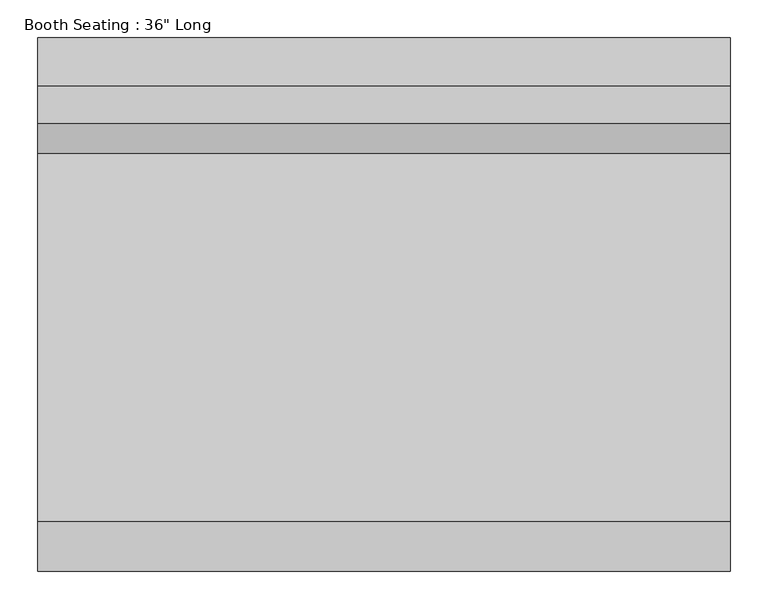
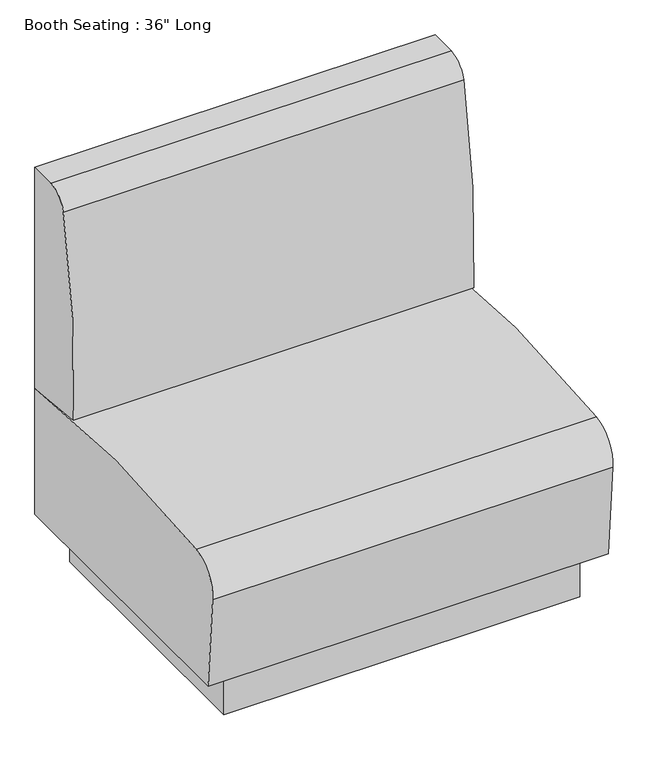
"""IFC4 building model written with IfcOpenShell, lengths in millimetres: furniture geometry."""

from ifc_helpers import new_model, si_unit, point, frame, frame_2d, origin, origin_with_axes, place, context, project, spatial, polyline, circle_curve, trimmed, segment, composite_curve, outline, extrude, source, transform, mapped, element, save


def furniture_3e36cbe3(model_context):
    return source(origin(), model_context, "Body", "SweptSolid", [
        extrude(outline(composite_curve([segment(polyline([(355.6, 939.8), (355.6, 406.4), (203.2, 420.809063)]), True, "CONTINUOUS"), segment(trimmed(circle_curve(frame_2d((1896.6191414, 522.5154157)), 1696.4706218), [point((203.2, 420.809063))], [point((242.7504703, 900.3129667))], False, "CARTESIAN"), True, "CONTINUOUS"), segment(trimmed(circle_curve(frame_2d((292.2747753, 889.0)), 50.8), [point((242.7504703, 900.3129667))], [point((292.2747753, 939.8))], False, "CARTESIAN"), True, "CONTINUOUS"), segment(polyline([(292.2747753, 939.8), (355.6, 939.8)]), True, "CONTINUOUS")], self_intersect=False)), frame((-457.2, 0.0, 0.0), z_axis=(1.0, 0.0, 0.0), x_axis=(0.0, 1.0, 0.0)), (0.0, 0.0, 1.0), 914.4),
        extrude(outline(composite_curve([segment(trimmed(circle_curve(frame_2d((-272.6641824, 328.7396957)), 76.2), [point((-348.6009692, 322.4116302))], [point((-282.6626275, 404.2808838))], False, "CARTESIAN"), True, "CONTINUOUS"), segment(trimmed(circle_curve(frame_2d((44.6835428, -2068.9155338)), 2494.7657275), [point((-282.6626275, 404.2808838))], [point((355.6, 406.4))], False, "CARTESIAN"), True, "CONTINUOUS"), segment(polyline([(355.6, 406.4), (355.6, 101.6), (-330.2, 101.6), (-348.6009692, 322.4116302)]), True, "CONTINUOUS")], self_intersect=False)), frame((-457.2, 0.0, 0.0), z_axis=(1.0, 0.0, 0.0), x_axis=(0.0, 1.0, 0.0)), (0.0, 0.0, 1.0), 914.4),
        extrude(outline(polyline([(406.4, 304.8), (406.4, -304.8), (-406.4, -304.8), (-406.4, 304.8), (406.4, 304.8)])), origin_with_axes(), (0.0, 0.0, 1.0), 101.6),
    ])


if __name__ == "__main__":
    model = new_model("IFC4")
    model_context = context("Model", 3, world=origin())
    ifc_project = project(units=[si_unit("LENGTHUNIT", "METRE", prefix="MILLI")], contexts=[model_context])
    site = spatial("IfcSite", under=ifc_project)
    building = spatial("IfcBuilding", under=site)
    placement = place(None, origin())
    furniture_shape = furniture_3e36cbe3(model_context)
    element("IfcFurniture", 1, ObjectType="Booth Seating : 36\" Long", at=placement, inside=building, context=model_context, shape_type="MappedRepresentation", body=[
        mapped(furniture_shape, transform((0.0, 0.0, 0.0), x_axis=(1.0, 0.0, 0.0), y_axis=(0.0, 1.0, 0.0), z_axis=(0.0, 0.0, 1.0))),
    ])
    save(model, "model.ifc")
